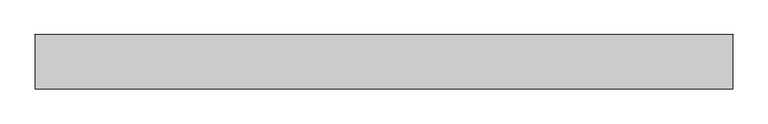
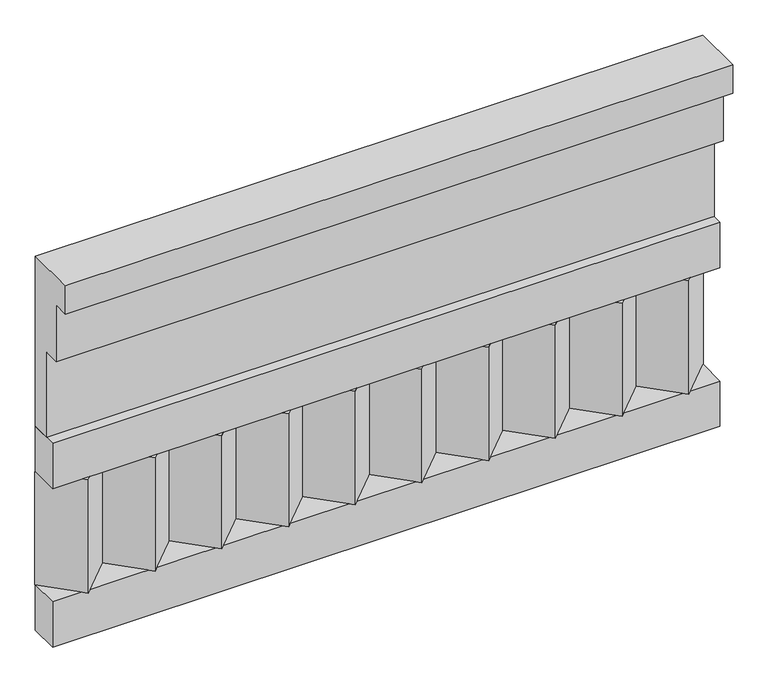
"""IFC4 building model written with IfcOpenShell, lengths in millimetres: railing geometry."""

from ifc_helpers import new_model, si_unit, frame, origin, place, context, project, spatial, polyline, outline, extrude, source, transform, mapped, element, save


def railing_8d73fef6(model_context):
    return source(origin(), model_context, "Body", "SweptSolid", [
        extrude(outline(polyline([(-16816.8920513, 18500.0), (-16816.8920513, 18050.0), (-16866.8920513, 18050.0), (-16866.8920513, 18275.0), (-16906.8920513, 18275.0), (-16906.8920513, 18425.0), (-16946.8920513, 18425.0), (-16946.8920513, 18500.0), (-16816.8920513, 18500.0)])), frame((33090.0112841, 0.0, 0.0), z_axis=(1.0, 0.0, 0.0), x_axis=(0.0, 1.0, 0.0)), (0.0, 0.0, 1.0), 1670.0),
        extrude(outline(polyline([(33090.0112841, -16891.8920513), (33090.0112841, -16816.8920513), (34760.0112841, -16816.8920513), (34760.0112841, -16891.8920513), (33090.0112841, -16891.8920513)])), frame((0.0, 0.0, 17930.0), z_axis=(0.0, 0.0, 1.0), x_axis=(1.0, 0.0, 0.0)), (0.0, 0.0, 1.0), 120.0),
        extrude(outline(polyline([(33090.0112841, -16891.8920513), (33090.0112841, -16816.8920513), (34760.0112841, -16816.8920513), (34760.0112841, -16891.8920513), (33090.0112841, -16891.8920513)])), frame((0.0, 0.0, 17510.0), z_axis=(0.0, 0.0, 1.0), x_axis=(1.0, 0.0, 0.0)), (0.0, 0.0, 1.0), 120.0),
        extrude(outline(polyline([(34676.5112841, -16901.7448651), (34591.6584704, -16816.8920513), (34761.3640978, -16816.8920513), (34676.5112841, -16901.7448651)])), frame((0.0, 0.0, 17630.0), z_axis=(0.0, 0.0, 1.0), x_axis=(1.0, 0.0, 0.0)), (0.0, 0.0, 1.0), 300.0),
        extrude(outline(polyline([(34509.5112841, -16901.7448651), (34424.6584704, -16816.8920513), (34594.3640978, -16816.8920513), (34509.5112841, -16901.7448651)])), frame((0.0, 0.0, 17630.0), z_axis=(0.0, 0.0, 1.0), x_axis=(1.0, 0.0, 0.0)), (0.0, 0.0, 1.0), 300.0),
        extrude(outline(polyline([(34342.5112841, -16901.7448651), (34257.6584704, -16816.8920513), (34427.3640978, -16816.8920513), (34342.5112841, -16901.7448651)])), frame((0.0, 0.0, 17630.0), z_axis=(0.0, 0.0, 1.0), x_axis=(1.0, 0.0, 0.0)), (0.0, 0.0, 1.0), 300.0),
        extrude(outline(polyline([(34175.5112841, -16901.7448651), (34090.6584704, -16816.8920513), (34260.3640978, -16816.8920513), (34175.5112841, -16901.7448651)])), frame((0.0, 0.0, 17630.0), z_axis=(0.0, 0.0, 1.0), x_axis=(1.0, 0.0, 0.0)), (0.0, 0.0, 1.0), 300.0),
        extrude(outline(polyline([(34008.5112841, -16901.7448651), (33923.6584704, -16816.8920513), (34093.3640978, -16816.8920513), (34008.5112841, -16901.7448651)])), frame((0.0, 0.0, 17630.0), z_axis=(0.0, 0.0, 1.0), x_axis=(1.0, 0.0, 0.0)), (0.0, 0.0, 1.0), 300.0),
        extrude(outline(polyline([(33841.5112841, -16901.7448651), (33756.6584704, -16816.8920513), (33926.3640978, -16816.8920513), (33841.5112841, -16901.7448651)])), frame((0.0, 0.0, 17630.0), z_axis=(0.0, 0.0, 1.0), x_axis=(1.0, 0.0, 0.0)), (0.0, 0.0, 1.0), 300.0),
        extrude(outline(polyline([(33674.5112841, -16901.7448651), (33589.6584704, -16816.8920513), (33759.3640978, -16816.8920513), (33674.5112841, -16901.7448651)])), frame((0.0, 0.0, 17630.0), z_axis=(0.0, 0.0, 1.0), x_axis=(1.0, 0.0, 0.0)), (0.0, 0.0, 1.0), 300.0),
        extrude(outline(polyline([(33507.5112841, -16901.7448651), (33422.6584704, -16816.8920513), (33592.3640978, -16816.8920513), (33507.5112841, -16901.7448651)])), frame((0.0, 0.0, 17630.0), z_axis=(0.0, 0.0, 1.0), x_axis=(1.0, 0.0, 0.0)), (0.0, 0.0, 1.0), 300.0),
        extrude(outline(polyline([(33340.5112841, -16901.7448651), (33255.6584704, -16816.8920513), (33425.3640978, -16816.8920513), (33340.5112841, -16901.7448651)])), frame((0.0, 0.0, 17630.0), z_axis=(0.0, 0.0, 1.0), x_axis=(1.0, 0.0, 0.0)), (0.0, 0.0, 1.0), 300.0),
        extrude(outline(polyline([(33173.5112841, -16901.7448651), (33088.6584704, -16816.8920513), (33258.3640978, -16816.8920513), (33173.5112841, -16901.7448651)])), frame((0.0, 0.0, 17630.0), z_axis=(0.0, 0.0, 1.0), x_axis=(1.0, 0.0, 0.0)), (0.0, 0.0, 1.0), 300.0),
    ])


if __name__ == "__main__":
    model = new_model("IFC4")
    model_context = context("Model", 3, world=origin())
    ifc_project = project(units=[si_unit("LENGTHUNIT", "METRE", prefix="MILLI")], contexts=[model_context])
    site = spatial("IfcSite", under=ifc_project)
    building = spatial("IfcBuilding", under=site)
    placement = place(None, origin())
    railing_shape = railing_8d73fef6(model_context)
    element("IfcRailing", 1, at=placement, inside=building, context=model_context, shape_type="MappedRepresentation", body=[
        mapped(railing_shape, transform((0.0, 0.0, 0.0), x_axis=(1.0, 0.0, 0.0), y_axis=(0.0, 1.0, 0.0), z_axis=(0.0, 0.0, 1.0))),
    ])
    save(model, "model.ifc")
